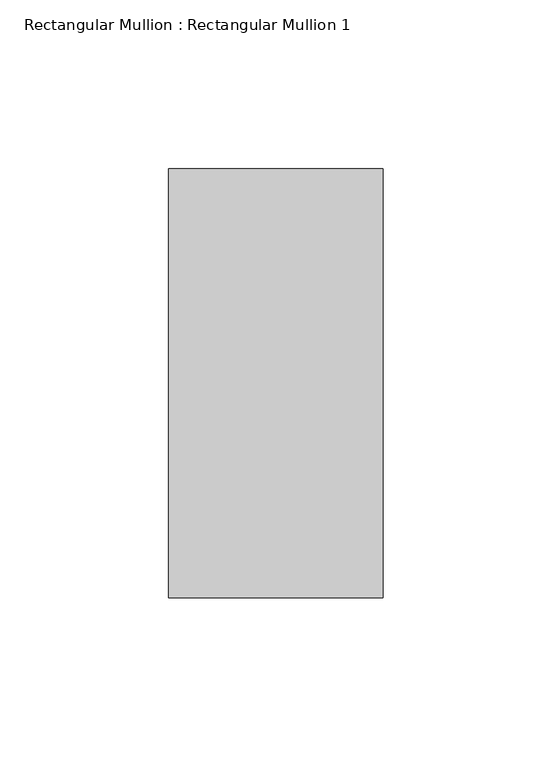
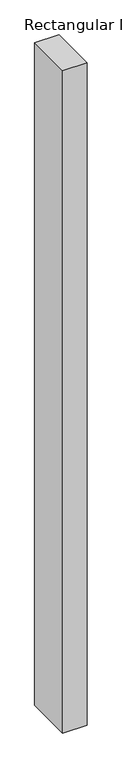
"""IFC4 building model written with IfcOpenShell, lengths in millimetres: member geometry, Rectangular Mullion : Rectangular Mullion 1."""

from ifc_helpers import new_model, si_unit, frame, origin, place, context, project, spatial, polyline, outline, extrude, source, transform, mapped, element, save


def rectangular_mullion_rectangular_mullion_1_2fae0574(model_context):
    return source(origin(), model_context, "Body", "SweptSolid", [
        extrude(outline(polyline([(0.0, 63.5), (0.0, -63.5), (-63.5, -63.5), (-63.5, 63.5), (0.0, 63.5)])), frame((0.0, 0.0, -1828.8), z_axis=(0.0, 0.0, 1.0), x_axis=(1.0, 0.0, 0.0)), (0.0, 0.0, 1.0), 1828.8),
    ])


if __name__ == "__main__":
    model = new_model("IFC4")
    model_context = context("Model", 3, world=origin())
    ifc_project = project(units=[si_unit("LENGTHUNIT", "METRE", prefix="MILLI")], contexts=[model_context])
    site = spatial("IfcSite", under=ifc_project)
    building = spatial("IfcBuilding", under=site)
    placement = place(None, origin())
    rectangular_mullion_rectangular_mullion_1_shape = rectangular_mullion_rectangular_mullion_1_2fae0574(model_context)
    element("IfcMember", 1, ObjectType="Rectangular Mullion : Rectangular Mullion 1", at=placement, inside=building, context=model_context, shape_type="MappedRepresentation", body=[
        mapped(rectangular_mullion_rectangular_mullion_1_shape, transform((0.0, 0.0, 0.0), x_axis=(1.0, 0.0, 0.0), y_axis=(0.0, 1.0, 0.0), z_axis=(0.0, 0.0, 1.0))),
    ])
    save(model, "model.ifc")
